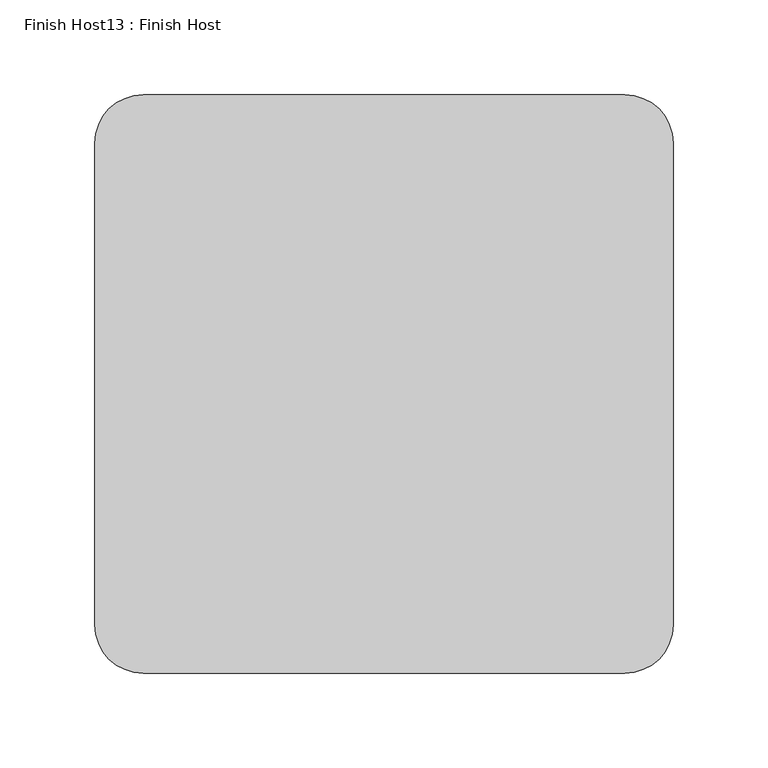
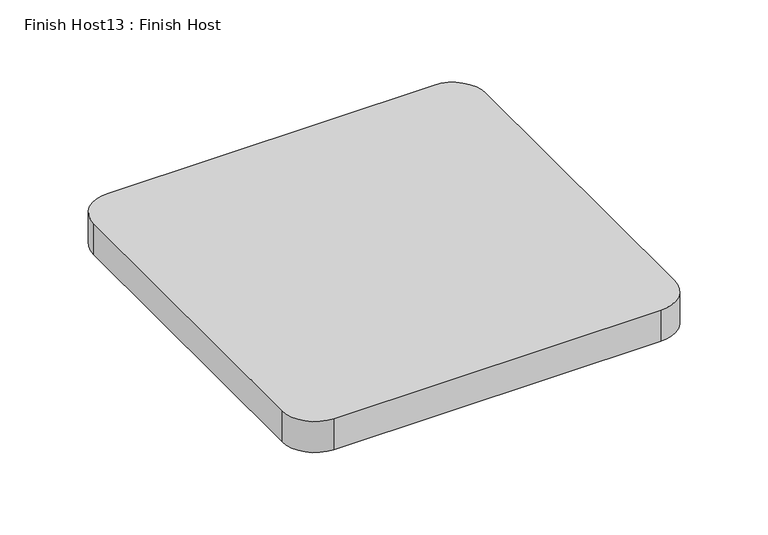
"""IFC4 building model written with IfcOpenShell, lengths in millimetres: proxy geometry, Finish Host13 : Finish Host."""

from ifc_helpers import new_model, si_unit, point, frame_2d, origin, origin_with_axes, place, context, project, spatial, polyline, circle_curve, trimmed, segment, composite_curve, outline, extrude, source, transform, mapped, element, save


def finish_host13_finish_host_e68ba729(model_context):
    return source(origin(), model_context, "Body", "SweptSolid", [
        extrude(outline(composite_curve([segment(polyline([(4239.0934426, 3188.0122951), (4239.0934426, 3442.0122951)]), True, "CONTINUOUS"), segment(trimmed(circle_curve(frame_2d((4264.4934426, 3442.0122951)), 25.4), [point((4239.0934426, 3442.0122951))], [point((4264.4934426, 3467.4122951))], False, "CARTESIAN"), True, "CONTINUOUS"), segment(polyline([(4264.4934426, 3467.4122951), (4518.4934426, 3467.4122951)]), True, "CONTINUOUS"), segment(trimmed(circle_curve(frame_2d((4518.4934426, 3442.0122951)), 25.4), [point((4518.4934426, 3467.4122951))], [point((4543.8934426, 3442.0122951))], False, "CARTESIAN"), True, "CONTINUOUS"), segment(polyline([(4543.8934426, 3442.0122951), (4543.8934426, 3188.0122951)]), True, "CONTINUOUS"), segment(trimmed(circle_curve(frame_2d((4518.4934426, 3188.0122951)), 25.4), [point((4543.8934426, 3188.0122951))], [point((4518.4934426, 3162.6122951))], False, "CARTESIAN"), True, "CONTINUOUS"), segment(polyline([(4518.4934426, 3162.6122951), (4264.4934426, 3162.6122951)]), True, "CONTINUOUS"), segment(trimmed(circle_curve(frame_2d((4264.4934426, 3188.0122951)), 25.4), [point((4264.4934426, 3162.6122951))], [point((4239.0934426, 3188.0122951))], False, "CARTESIAN"), True, "CONTINUOUS")], self_intersect=False)), origin_with_axes(), (0.0, 0.0, 1.0), 25.4),
    ])


if __name__ == "__main__":
    model = new_model("IFC4")
    model_context = context("Model", 3, world=origin())
    ifc_project = project(units=[si_unit("LENGTHUNIT", "METRE", prefix="MILLI")], contexts=[model_context])
    site = spatial("IfcSite", under=ifc_project)
    building = spatial("IfcBuilding", under=site)
    placement = place(None, origin())
    finish_host13_finish_host_shape = finish_host13_finish_host_e68ba729(model_context)
    element("IfcBuildingElementProxy", 1, Name="Finish Host13 : Finish Host", ObjectType="Finish Host13 : Finish Host", at=placement, inside=building, context=model_context, shape_type="MappedRepresentation", body=[
        mapped(finish_host13_finish_host_shape, transform((0.0, 0.0, 0.0), x_axis=(1.0, 0.0, 0.0), y_axis=(0.0, 1.0, 0.0), z_axis=(0.0, 0.0, 1.0))),
    ])
    save(model, "model.ifc")
